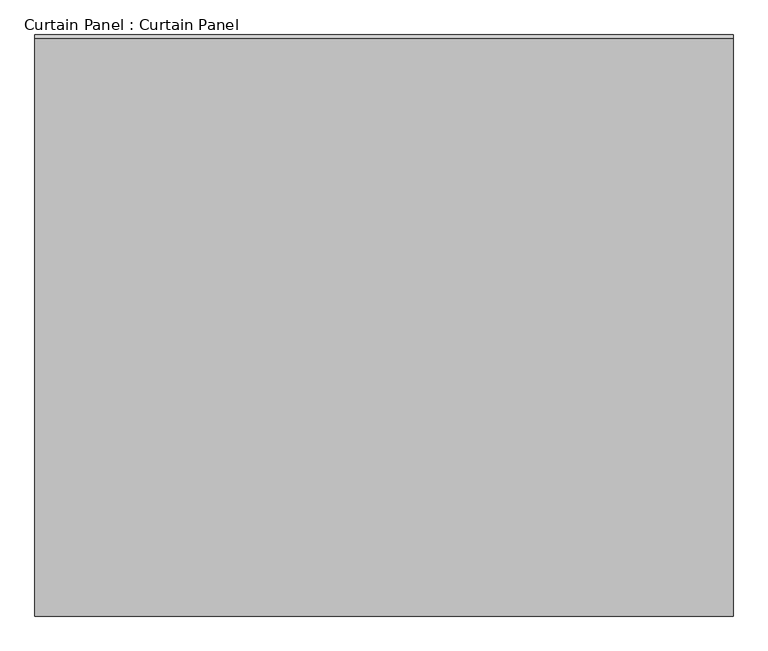
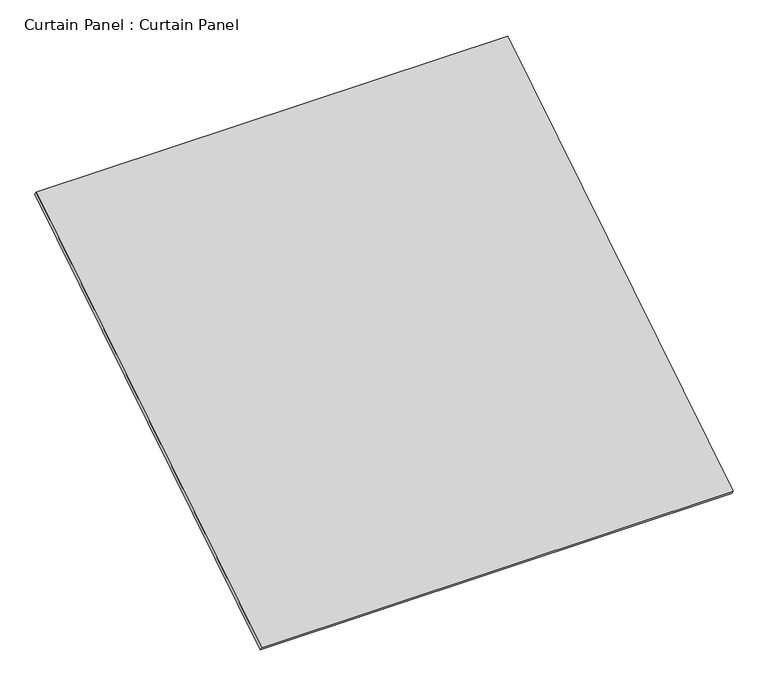
"""IFC4 building model written with IfcOpenShell, lengths in millimetres: plate geometry, Curtain Panel : Curtain Panel."""

from ifc_helpers import new_model, si_unit, frame, origin, place, context, project, spatial, polyline, outline, extrude, source, transform, mapped, element, save


def curtain_panel_curtain_panel_a99f4dd7(model_context):
    return source(origin(), model_context, "Body", "SweptSolid", [
        extrude(outline(polyline([(-63.5, 0.0), (-63.5, -2917.145649), (-3048.0, -2917.145649), (-3048.0, 0.0), (-63.5, 0.0)])), frame((-123766.6430895, -9006.8253065, 3990.6027439), z_axis=(0.0, -0.5318918435658209, 0.8468122972348432), x_axis=(-1.0, 0.0, 0.0)), (0.0, 0.0, 1.0), 25.4),
    ])


if __name__ == "__main__":
    model = new_model("IFC4")
    model_context = context("Model", 3, world=origin())
    ifc_project = project(units=[si_unit("LENGTHUNIT", "METRE", prefix="MILLI")], contexts=[model_context])
    site = spatial("IfcSite", under=ifc_project)
    building = spatial("IfcBuilding", under=site)
    placement = place(None, origin())
    curtain_panel_curtain_panel_shape = curtain_panel_curtain_panel_a99f4dd7(model_context)
    element("IfcPlate", 1, ObjectType="Curtain Panel : Curtain Panel", at=placement, inside=building, context=model_context, shape_type="MappedRepresentation", body=[
        mapped(curtain_panel_curtain_panel_shape, transform((0.0, 0.0, 0.0), x_axis=(1.0, 0.0, 0.0), y_axis=(0.0, 1.0, 0.0), z_axis=(0.0, 0.0, 1.0))),
    ])
    save(model, "model.ifc")
